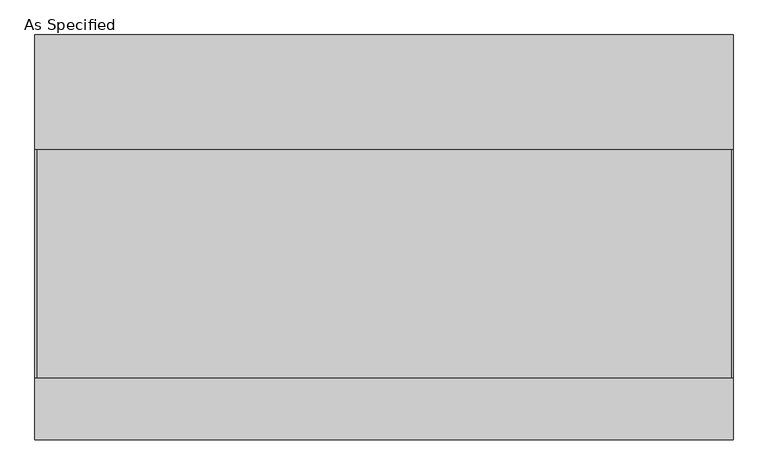
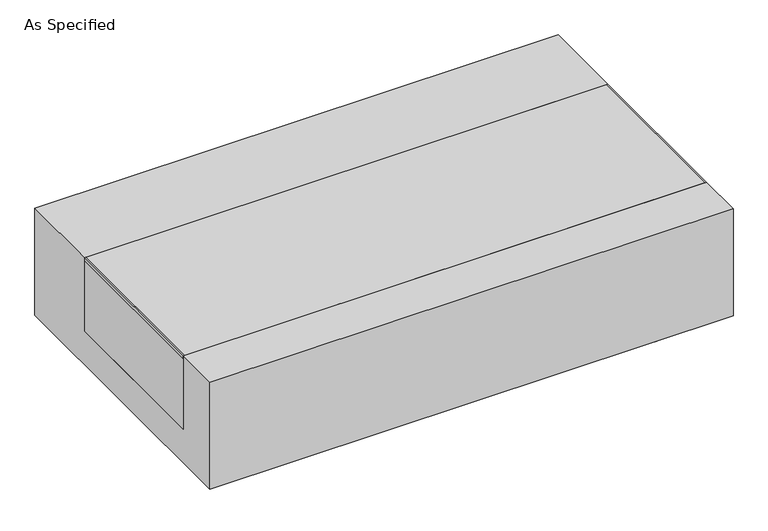
"""IFC4 building model written with IfcOpenShell, lengths in millimetres: proxy geometry, As Specified."""

from ifc_helpers import new_model, si_unit, point, frame, frame_2d, origin, place, context, project, spatial, polyline, circle_curve, trimmed, segment, composite_curve, outline, extrude, source, transform, mapped, element, save


def as_specified_1eb240a7(model_context):
    return source(origin(), model_context, "Body", "SweptSolid", [
        extrude(outline(composite_curve([segment(trimmed(circle_curve(frame_2d((846.8125, -626.275)), 10.5), [point((846.8125, -636.775))], [point((846.8125, -615.775))], False, "CARTESIAN"), True, "CONTINUOUS"), segment(trimmed(circle_curve(frame_2d((846.8125, -626.275)), 10.5), [point((846.8125, -615.775))], [point((846.8125, -636.775))], False, "CARTESIAN"), True, "CONTINUOUS")], self_intersect=False)), frame((0.0, 0.0, -562.225), z_axis=(0.0, 0.0, 1.0), x_axis=(1.0, 0.0, 0.0)), (0.0, 0.0, 1.0), 32.0),
        extrude(outline(polyline([(-1161.25625, -469.9), (-1166.8125, -469.9), (-1166.8125, 292.1), (-1161.25625, 292.1), (-1161.25625, -469.9)])), frame((0.0, 0.0, -39.6875), z_axis=(0.0, 0.0, 1.0), x_axis=(1.0, 0.0, 0.0)), (0.0, 0.0, 1.0), 14.2875),
        extrude(outline(polyline([(1162.84375, 292.1), (1166.8125, 292.1), (1166.8125, -469.9), (1162.84375, -469.9), (1162.84375, 292.1)])), frame((0.0, 0.0, -39.6875), z_axis=(0.0, 0.0, 1.0), x_axis=(1.0, 0.0, 0.0)), (0.0, 0.0, 1.0), 14.2875),
        extrude(outline(polyline([(1166.8125, 292.1), (1166.8125, -469.9), (-1166.8125, -469.9), (-1166.8125, 292.1), (1166.8125, 292.1)])), frame((0.0, 0.0, -373.0625), z_axis=(0.0, 0.0, 1.0), x_axis=(1.0, 0.0, 0.0)), (0.0, 0.0, 1.0), 347.6625),
        extrude(outline(polyline([(676.275, -25.4), (676.275, -530.225), (-676.275, -530.225), (-676.275, -25.4), (-469.9, -25.4), (-469.9, -373.0625), (292.1, -373.0625), (292.1, -25.4), (676.275, -25.4)])), frame((-1166.8125, 0.0, 0.0), z_axis=(1.0, 0.0, 0.0), x_axis=(0.0, 1.0, 0.0)), (0.0, 0.0, 1.0), 2333.625),
    ])


if __name__ == "__main__":
    model = new_model("IFC4")
    model_context = context("Model", 3, world=origin())
    ifc_project = project(units=[si_unit("LENGTHUNIT", "METRE", prefix="MILLI")], contexts=[model_context])
    site = spatial("IfcSite", under=ifc_project)
    building = spatial("IfcBuilding", under=site)
    placement = place(None, origin())
    as_specified_shape = as_specified_1eb240a7(model_context)
    element("IfcBuildingElementProxy", 1, Name="As Specified", ObjectType="As Specified", at=placement, inside=building, context=model_context, shape_type="MappedRepresentation", body=[
        mapped(as_specified_shape, transform((0.0, 0.0, 0.0), x_axis=(1.0, 0.0, 0.0), y_axis=(0.0, 1.0, 0.0), z_axis=(0.0, 0.0, 1.0))),
    ])
    save(model, "model.ifc")
